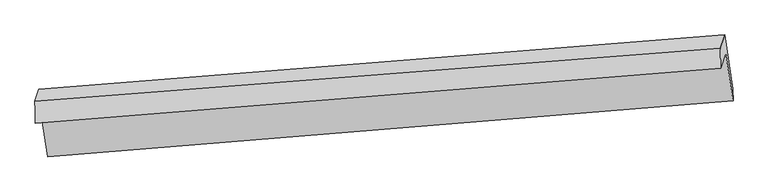
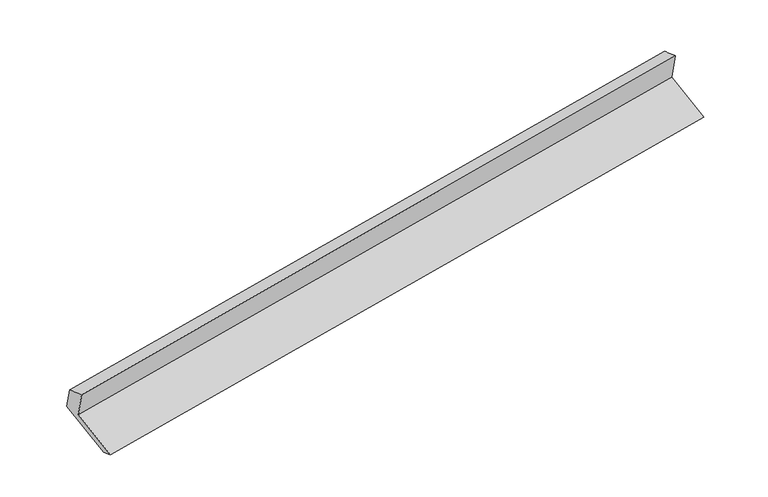
"""IFC4 building model written with IfcOpenShell, lengths in millimetres: proxy geometry."""

import ifcopenshell
import ifcopenshell.guid

model = None  # the IFC model being written
_history = None  # IfcOwnerHistory: only IFC2X3 demands one
_inside = {}  # id of a spatial element -> (the spatial element, [elements in it])
_under = {}  # id of a project, library or spatial element -> (it, [spatial elements below it])
_declared = {}  # id of a project -> (the project, [libraries it declares])
_typed = {}  # id of a type object -> (the type object, [elements of that type])
_made_of = {}  # id of a material, layer set ... -> (it, [elements and type objects made of it])


def new_model(schema):
    """Start an empty IFC model of exactly this schema.

    Asked for "IFC4X3", IfcOpenShell would pick the latest addendum, in which some entities
    have other attributes; the version numbers below select the first issue.
    IFC2X3 requires an IfcOwnerHistory on every rooted entity: one is made here for all.
    """
    global model, _history
    if schema == "IFC4X3":
        model = ifcopenshell.file(schema_version=(4, 3, 0, 0))
    else:
        model = ifcopenshell.file(schema=schema)
    _inside.clear()
    _under.clear()
    _declared.clear()
    _typed.clear()
    _made_of.clear()
    _history = None
    if model.schema == "IFC2X3":
        org = make("IfcOrganization", Name="unknown")
        user = make(
            "IfcPersonAndOrganization",
            ThePerson=make("IfcPerson", FamilyName="unknown"),
            TheOrganization=org,
        )
        app = make(
            "IfcApplication",
            ApplicationDeveloper=org,
            Version="unknown",
            ApplicationFullName="unknown",
            ApplicationIdentifier="unknown",
        )
        _history = make(
            "IfcOwnerHistory",
            OwningUser=user,
            OwningApplication=app,
            ChangeAction="ADDED",
            CreationDate=0,
        )
    return model


def make(cls, **values):
    """One entity of the class cls with the attributes given. An attribute that is None is left unset."""
    return model.create_entity(
        cls, **{name: value for name, value in values.items() if value is not None}
    )


def rooted(cls, **values):
    """An entity with a GlobalId (a new one), such as an element, a storey or a relation."""
    return make(cls, GlobalId=ifcopenshell.guid.new(), OwnerHistory=_history, **values)


def si_unit(unit_type, name, prefix=None):
    """IfcSIUnit, for example si_unit("LENGTHUNIT", "METRE", prefix="MILLI")."""
    return make("IfcSIUnit", UnitType=unit_type, Prefix=prefix, Name=name)


def assignment(units):
    """IfcUnitAssignment: the units of a project."""
    return None if units is None else make("IfcUnitAssignment", Units=units)


def point(xyz):
    """IfcCartesianPoint."""
    return None if xyz is None else make("IfcCartesianPoint", Coordinates=xyz)


def direction(xyz):
    """IfcDirection."""
    return None if xyz is None else make("IfcDirection", DirectionRatios=xyz)


def frame(location, z_axis=None, x_axis=None):
    """IfcAxis2Placement3D, a coordinate frame: its origin and axes. An axis left out is left unset."""
    return make(
        "IfcAxis2Placement3D",
        Location=point(location),
        Axis=direction(z_axis),
        RefDirection=direction(x_axis),
    )


def origin():
    """The frame at (0, 0, 0) with its axes left unset."""
    return frame((0.0, 0.0, 0.0))


def place(relative_to, where):
    """IfcLocalPlacement: puts the frame where relative to a parent placement (None: the world)."""
    return make(
        "IfcLocalPlacement", PlacementRelTo=relative_to, RelativePlacement=where
    )


def context(
    kind, dimensions, precision=None, world=None, true_north=None, identifier=None
):
    """IfcGeometricRepresentationContext, for example the 3D "Model" context."""
    return make(
        "IfcGeometricRepresentationContext",
        ContextIdentifier=identifier,
        ContextType=kind,
        CoordinateSpaceDimension=dimensions,
        Precision=precision,
        WorldCoordinateSystem=world,
        TrueNorth=true_north,
    )


def project(units=None, contexts=None):
    """IfcProject with its units and contexts."""
    return rooted(
        "IfcProject",
        Name="project",
        RepresentationContexts=contexts,
        UnitsInContext=assignment(units),
    )


def spatial(cls, under=None, at=None, **own):
    """A site, building, storey or space (cls), placed at a placement, below another one or the project."""
    s = rooted(cls, ObjectPlacement=at, **own)
    if under is not None:
        _under.setdefault(under.id(), (under, []))[1].append(s)
    return s


def shape(context_of_items, identifier, shape_type, items):
    """IfcShapeRepresentation: the items that make up one representation, for example the "Body"."""
    return make(
        "IfcShapeRepresentation",
        ContextOfItems=context_of_items,
        RepresentationIdentifier=identifier,
        RepresentationType=shape_type,
        Items=items,
    )


def source(mapping_origin, context_of_items, identifier, shape_type, items):
    """IfcRepresentationMap: a shape defined once, which mapped items show again and again."""
    return make(
        "IfcRepresentationMap",
        MappingOrigin=mapping_origin,
        MappedRepresentation=shape(context_of_items, identifier, shape_type, items),
    )


def transform(
    local_origin,
    x_axis=None,
    y_axis=None,
    z_axis=None,
    scale=None,
    scale2=None,
    scale3=None,
    uniform=True,
):
    """IfcCartesianTransformationOperator3D, or its non-uniform kind. x_axis, y_axis, z_axis: its Axis1, 2, 3."""
    if uniform:
        return make(
            "IfcCartesianTransformationOperator3D",
            Axis1=direction(x_axis),
            Axis2=direction(y_axis),
            LocalOrigin=point(local_origin),
            Scale=scale,
            Axis3=direction(z_axis),
        )
    return make(
        "IfcCartesianTransformationOperator3DnonUniform",
        Axis1=direction(x_axis),
        Axis2=direction(y_axis),
        LocalOrigin=point(local_origin),
        Scale=scale,
        Axis3=direction(z_axis),
        Scale2=scale2,
        Scale3=scale3,
    )


def mapped(mapping_source, mapping_target):
    """IfcMappedItem: shows the shape of a source again, moved by a transform."""
    return make(
        "IfcMappedItem", MappingSource=mapping_source, MappingTarget=mapping_target
    )


def made_of(thing, what):
    """Note that an element or type object is made of a material, layer set ...; save() writes the relation."""
    if what is not None:
        _made_of.setdefault(what.id(), (what, []))[1].append(thing)
    return thing


def element(
    cls,
    number,
    at=None,
    inside=None,
    cuts=None,
    type_object=None,
    material=None,
    context=None,
    identifier="Body",
    shape_type=None,
    held_by="IfcProductDefinitionShape",
    body=None,
    shapes=None,
    **own,
):
    """One element of the class cls, such as IfcWall. Its Tag is "e" and its number.

    at: its placement. inside: the storey or other place that contains it. cuts: it is an
    opening in that element (IfcRelVoidsElement). A single representation is given by context,
    identifier, shape_type and body (its items); several are given by shapes. held_by: the class
    of the entity that holds the representations. save() writes the other relations.
    """
    e = rooted(cls, Tag="e%d" % number, ObjectPlacement=at, **own)
    if body is not None:
        shapes = [shape(context, identifier, shape_type, body)]
    if shapes is not None:
        e.Representation = make(held_by, Representations=shapes)
    if inside is not None:
        _inside.setdefault(inside.id(), (inside, []))[1].append(e)
    if cuts is not None:
        rooted(
            "IfcRelVoidsElement", RelatingBuildingElement=cuts, RelatedOpeningElement=e
        )
    if type_object is not None:
        _typed.setdefault(type_object.id(), (type_object, []))[1].append(e)
    return made_of(e, material)


def aggregate(whole, parts):
    """IfcRelAggregates: a whole, such as a stair, and the parts it consists of."""
    return rooted("IfcRelAggregates", RelatingObject=whole, RelatedObjects=parts)


def save(model, path):
    """Write the relations noted so far, then the file.

    IfcRelAggregates (storeys below a building ...), IfcRelContainedInSpatialStructure (elements
    in a storey), IfcRelDefinesByType, IfcRelAssociatesMaterial and IfcRelDeclares: one each for
    every whole, place, type object, material and project.
    """
    for whole, parts in _under.values():
        aggregate(whole, parts)
    for where, things in _inside.values():
        rooted(
            "IfcRelContainedInSpatialStructure",
            RelatedElements=things,
            RelatingStructure=where,
        )
    for kind, things in _typed.values():
        rooted("IfcRelDefinesByType", RelatedObjects=things, RelatingType=kind)
    for what, things in _made_of.values():
        rooted("IfcRelAssociatesMaterial", RelatedObjects=things, RelatingMaterial=what)
    for by, libraries in _declared.values():
        rooted("IfcRelDeclares", RelatingContext=by, RelatedDefinitions=libraries)
    model.write(path)


def plane_surface(at):
    """IfcPlane: the flat surface through the origin of the frame at, square to its z axis."""
    return make("IfcPlane", Position=at)


def spline_surface(u_degree, v_degree, points, u_multiplicities, v_multiplicities, u_knots, v_knots, weights=None):
    """IfcBSplineSurfaceWithKnots; with weights, IfcRationalBSplineSurfaceWithKnots. points: one row for each step in u."""
    own = dict(
        UDegree=u_degree,
        VDegree=v_degree,
        ControlPointsList=[[point(p) for p in row] for row in points],
        SurfaceForm="UNSPECIFIED",
        UClosed=False,
        VClosed=False,
        SelfIntersect=False,
        UMultiplicities=u_multiplicities,
        VMultiplicities=v_multiplicities,
        UKnots=u_knots,
        VKnots=v_knots,
        KnotSpec="UNSPECIFIED",
    )
    if weights is None:
        return make("IfcBSplineSurfaceWithKnots", **own)
    return make("IfcRationalBSplineSurfaceWithKnots", WeightsData=weights, **own)


def advanced_brep(points, edges, surfaces, faces):
    """IfcAdvancedBrep: a solid bounded by faces that lie on surfaces and meet in shared edges.

    An edge is (start, end): straight between two places in points (the first is 0);
    or (start, end, curve); or (start, end, curve, False) where it runs against its curve.
    A face is (place in surfaces, loops), or (place, loops, False) where it looks against
    its surface's normal. A loop lists edges by number (the first is 1), with a minus sign
    where the edge is run from its end to its start. The first loop is the outer one.
    """
    corners = [point(p) for p in points]
    vertices = [make("IfcVertexPoint", VertexGeometry=c) for c in corners]
    made = []
    for start, end, *more in edges:
        made.append(
            make(
                "IfcEdgeCurve",
                EdgeStart=vertices[start],
                EdgeEnd=vertices[end],
                EdgeGeometry=more[0] if more else make("IfcPolyline", Points=[corners[start], corners[end]]),
                SameSense=more[1] if len(more) > 1 else True,
            )
        )
    hull = []
    for where, loops, *sense in faces:
        bounds = []
        for j, loop in enumerate(loops):
            ring = [make("IfcOrientedEdge", EdgeElement=made[abs(k) - 1], Orientation=k > 0) for k in loop]
            bounds.append(
                make(
                    "IfcFaceOuterBound" if j == 0 else "IfcFaceBound",
                    Bound=make("IfcEdgeLoop", EdgeList=ring),
                    Orientation=True,
                )
            )
        hull.append(make("IfcAdvancedFace", Bounds=bounds, FaceSurface=surfaces[where], SameSense=sense[0] if sense else True))
    return make("IfcAdvancedBrep", Outer=make("IfcClosedShell", CfsFaces=hull))


def generic_models_2bea8f26(model_context):
    return source(origin(), model_context, "Body", "AdvancedBrep", [
        advanced_brep(
        [(-7720.9562782, -1452.2200315, 1027.113218), (-7775.8098847, -1622.2149254, 1420.8202928), (1888.1026342, -877.3133027, 3143.3043751), (1949.8780501, -685.867271, 2699.9166039), (-7601.2382274, -2233.4629071, 706.4678932), (2066.0870696, -1444.2112962, 2388.6696488), (-7597.93877, -2401.4740523, 766.1026469), (2069.386527, -1612.2224415, 2448.3044024), (-7701.8478176, -1723.3958291, 1044.4061283), (1965.4774794, -934.1442183, 2726.6078839), (-7768.1363624, -1928.8283407, 1520.1864966), (1894.764418, -1153.2885944, 3234.1448417)],
        [
            (0, 1),
            (1, 2),
            (2, 3),
            (3, 0),
            (4, 0),
            (3, 5),
            (5, 4),
            (6, 4),
            (5, 7),
            (7, 6),
            (8, 6),
            (7, 9),
            (9, 8),
            (10, 8),
            (9, 11),
            (11, 10),
            (1, 10),
            (11, 2),
        ],
        [
            plane_surface(frame((-7748.3830814, -1537.2174785, 1223.9667554), z_axis=(-0.13770732566189503, 0.9161671801435772, 0.3763965867098358), x_axis=(-0.12687792851742344, -0.39320295226794355, 0.9106554944559995))),
            plane_surface(frame((-7661.0972528, -1842.8414693, 866.7905556), z_axis=(0.12637917736385657, 0.3931622063954304, -0.9107424350446793), x_axis=(-0.14036125336162922, 0.915954014155748, 0.3759347849118572))),
            plane_surface(frame((-7599.5884987, -2317.4684797, 736.2852701), z_axis=(0.18782350731639763, -0.32526796250042955, -0.9267810327527136), x_axis=(-0.018503912171415, 0.9422347565621813, -0.3344417270027165))),
            plane_surface(frame((-7649.8932938, -2062.4349407, 905.2543876), z_axis=(-0.1263791773638558, -0.39316220639543326, 0.9107424350446783), x_axis=(0.14036125336162442, -0.9159540141557473, -0.375934784911861))),
            plane_surface(frame((-7734.99209, -1826.1120849, 1282.2963125), z_axis=(0.14020150084213995, -0.9159670371744126, -0.3759626656618179), x_axis=(0.12687792851741095, 0.39320295226798213, -0.9106554944559846))),
            spline_surface(1, 1, [[(-7775.8098847, -1622.2149254, 1420.8202928), (1888.1026342, -877.3133027, 3143.3043751)], [(-7768.1363624, -1928.8283407, 1520.1864966), (1894.764418, -1153.2885944, 3234.1448417)]], [2, 2], [2, 2], [0.0, 1.0], [0.0, 1.0]),
            plane_surface(frame((1972.2826964, -1117.8411873, 2773.4912926), z_axis=(0.9819372229475707, 0.0801229198153979, 0.17140480713873954), x_axis=(0.14036125336162442, -0.9159540141557473, -0.375934784911861))),
            plane_surface(frame((-7694.3212234, -1893.5993477, 1080.849446), z_axis=(-0.9819372229475238, -0.08012291981521316, -0.17140480713909317), x_axis=(0.12687792851740232, 0.3932029522679736, -0.9106554944559895))),
        ],
        [
            (0, [[1, 2, 3, 4]]),
            (1, [[5, -4, 6, 7]]),
            (2, [[8, -7, 9, 10]]),
            (3, [[11, -10, 12, 13]]),
            (4, [[14, -13, 15, 16]]),
            (5, [[17, -16, 18, -2]]),
            (6, [[-12, -9, -6, -3, -18, -15]]),
            (7, [[-1, -5, -8, -11, -14, -17]]),
        ],
    ),
    ])


if __name__ == "__main__":
    model = new_model("IFC4")
    model_context = context("Model", 3, world=origin())
    ifc_project = project(units=[si_unit("LENGTHUNIT", "METRE", prefix="MILLI")], contexts=[model_context])
    site = spatial("IfcSite", under=ifc_project)
    building = spatial("IfcBuilding", under=site)
    placement = place(None, origin())
    generic_models_shape = generic_models_2bea8f26(model_context)
    element("IfcBuildingElementProxy", 1, Name="Generic Models", at=placement, inside=building, context=model_context, shape_type="MappedRepresentation", body=[
        mapped(generic_models_shape, transform((0.0, 0.0, 0.0), x_axis=(1.0, 0.0, 0.0), y_axis=(0.0, 1.0, 0.0), z_axis=(0.0, 0.0, 1.0))),
    ])
    save(model, "model.ifc")
